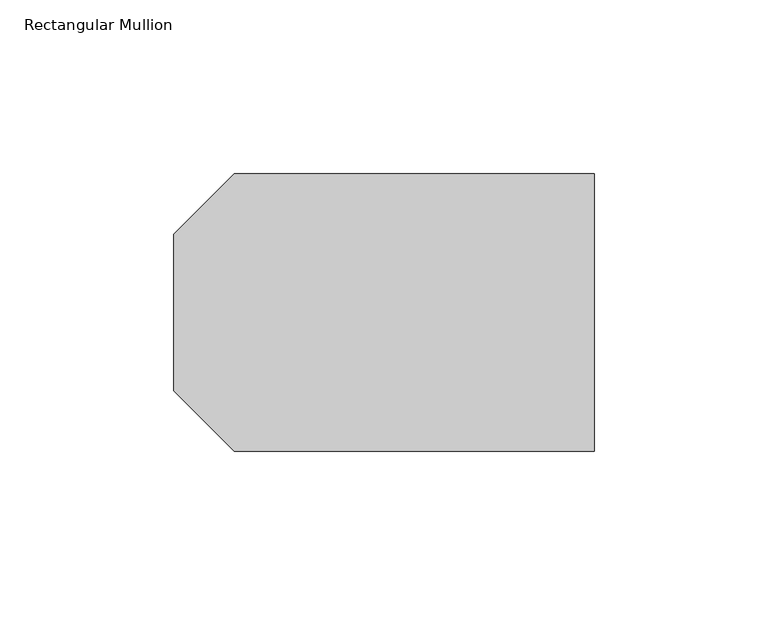
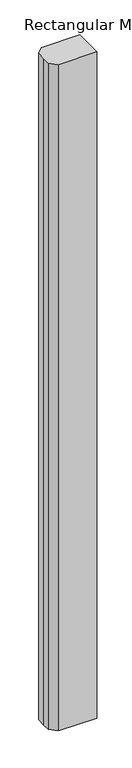
"""IFC4 building model written with IfcOpenShell, lengths in millimetres: member geometry, Rectangular Mullion."""

from ifc_helpers import new_model, si_unit, frame, origin, place, context, project, spatial, polyline, outline, extrude, source, transform, mapped, element, save


def rectangular_mullion_7132c3a2(model_context):
    return source(origin(), model_context, "Body", "SweptSolid", [
        extrude(outline(polyline([(-121.0, 22.5), (-103.597438, 39.902562), (0.0, 39.902562), (0.0, -39.902562), (-103.597438, -39.902562), (-121.0, -22.5), (-121.0, 0.0), (-121.0, 22.5)])), frame((0.0, 0.0, -1899.9999998), z_axis=(0.0, 0.0, 1.0), x_axis=(1.0, 0.0, 0.0)), (0.0, 0.0, 1.0), 1899.9999998),
    ])


if __name__ == "__main__":
    model = new_model("IFC4")
    model_context = context("Model", 3, world=origin())
    ifc_project = project(units=[si_unit("LENGTHUNIT", "METRE", prefix="MILLI")], contexts=[model_context])
    site = spatial("IfcSite", under=ifc_project)
    building = spatial("IfcBuilding", under=site)
    placement = place(None, origin())
    rectangular_mullion_shape = rectangular_mullion_7132c3a2(model_context)
    element("IfcMember", 1, ObjectType="Rectangular Mullion", at=placement, inside=building, context=model_context, shape_type="MappedRepresentation", body=[
        mapped(rectangular_mullion_shape, transform((0.0, 0.0, 0.0), x_axis=(1.0, 0.0, 0.0), y_axis=(0.0, 1.0, 0.0), z_axis=(0.0, 0.0, 1.0))),
    ])
    save(model, "model.ifc")
